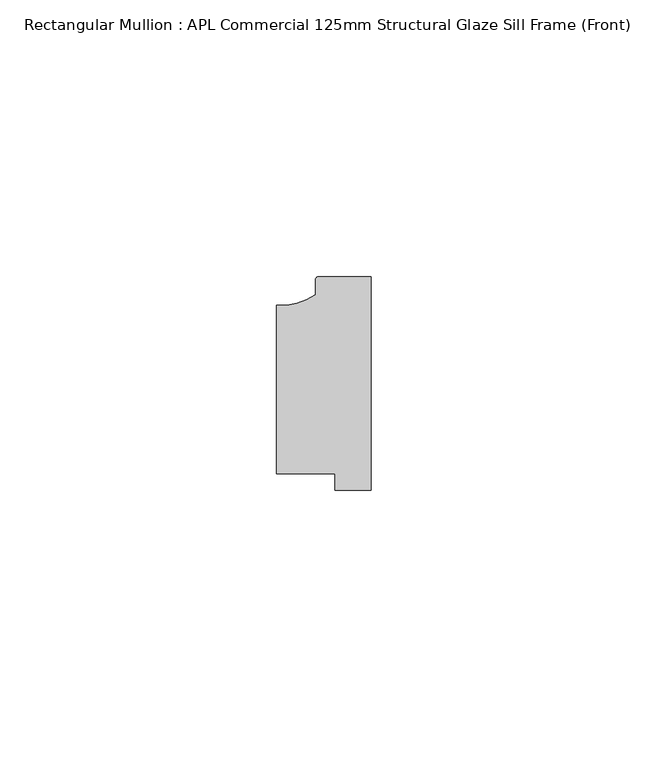
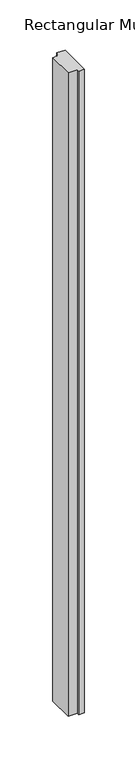
"""IFC4 building model written with IfcOpenShell, lengths in millimetres: member geometry, Rectangular Mullion : APL Commercial 125mm Structural Glaze Sill Frame (Front)."""

from ifc_helpers import new_model, si_unit, point, frame, frame_2d, origin, place, context, project, spatial, polyline, circle_curve, trimmed, segment, composite_curve, outline, extrude, source, transform, mapped, element, save


def rectangular_mullion_apl_commercial_125mm_structural_glaze_03bc21fb(model_context):
    return source(origin(), model_context, "Body", "SweptSolid", [
        extrude(outline(composite_curve([segment(trimmed(circle_curve(frame_2d((-16.1098048, 25.7977481)), 10.4563907), [point((-16.999942, 15.3793144))], [point((-10.0, 17.3120901))], True, "CARTESIAN"), True, "CONTINUOUS"), segment(polyline([(-10.0, 17.3120901), (-10.0, 19.9980675)]), True, "CONTINUOUS"), segment(trimmed(circle_curve(frame_2d((-9.5000029, 19.99978)), 0.5), [point((-10.0, 19.9980675))], [point((-9.5000029, 20.49978))], False, "CARTESIAN"), True, "CONTINUOUS"), segment(polyline([(-9.5000029, 20.49978), (0.0, 20.49978), (0.0, -18.0281616), (-6.5000029, -18.0281616), (-6.5000029, -15.0004332), (-16.999942, -15.0004332), (-16.999942, 15.3793144)]), True, "CONTINUOUS")], self_intersect=False)), frame((0.0, 0.0, -781.3628177), z_axis=(0.0, 0.0, 1.0), x_axis=(1.0, 0.0, 0.0)), (0.0, 0.0, 1.0), 781.3628177),
    ])


if __name__ == "__main__":
    model = new_model("IFC4")
    model_context = context("Model", 3, world=origin())
    ifc_project = project(units=[si_unit("LENGTHUNIT", "METRE", prefix="MILLI")], contexts=[model_context])
    site = spatial("IfcSite", under=ifc_project)
    building = spatial("IfcBuilding", under=site)
    placement = place(None, origin())
    rectangular_mullion_apl_commercial_125mm_structural_glaze_shape = rectangular_mullion_apl_commercial_125mm_structural_glaze_03bc21fb(model_context)
    element("IfcMember", 1, ObjectType="Rectangular Mullion : APL Commercial 125mm Structural Glaze Sill Frame (Front)", at=placement, inside=building, context=model_context, shape_type="MappedRepresentation", body=[
        mapped(rectangular_mullion_apl_commercial_125mm_structural_glaze_shape, transform((0.0, 0.0, 0.0), x_axis=(1.0, 0.0, 0.0), y_axis=(0.0, 1.0, 0.0), z_axis=(0.0, 0.0, 1.0))),
    ])
    save(model, "model.ifc")
